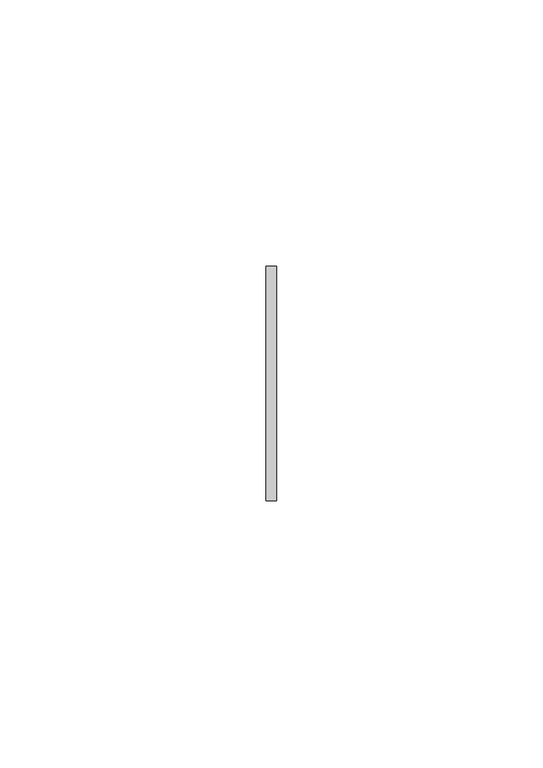
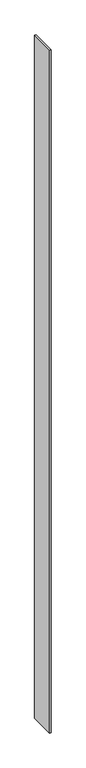
"""IFC4 building model written with IfcOpenShell, lengths in millimetres: member geometry."""

from ifc_helpers import new_model, si_unit, frame, origin, place, context, project, spatial, polyline, outline, extrude, source, transform, mapped, element, save


def member_6dcd7272(model_context):
    return source(origin(), model_context, "Body", "SweptSolid", [
        extrude(outline(polyline([(1.0, 22.0), (1.0, -22.0), (-1.0, -22.0), (-1.0, 22.0), (1.0, 22.0)])), frame((0.0, 0.0, -1218.0000003), z_axis=(0.0, 0.0, 1.0), x_axis=(1.0, 0.0, 0.0)), (0.0, 0.0, 1.0), 1218.0000003),
    ])


if __name__ == "__main__":
    model = new_model("IFC4")
    model_context = context("Model", 3, world=origin())
    ifc_project = project(units=[si_unit("LENGTHUNIT", "METRE", prefix="MILLI")], contexts=[model_context])
    site = spatial("IfcSite", under=ifc_project)
    building = spatial("IfcBuilding", under=site)
    placement = place(None, origin())
    member_shape = member_6dcd7272(model_context)
    element("IfcMember", 1, at=placement, inside=building, context=model_context, shape_type="MappedRepresentation", body=[
        mapped(member_shape, transform((0.0, 0.0, 0.0), x_axis=(1.0, 0.0, 0.0), y_axis=(0.0, 1.0, 0.0), z_axis=(0.0, 0.0, 1.0))),
    ])
    save(model, "model.ifc")
